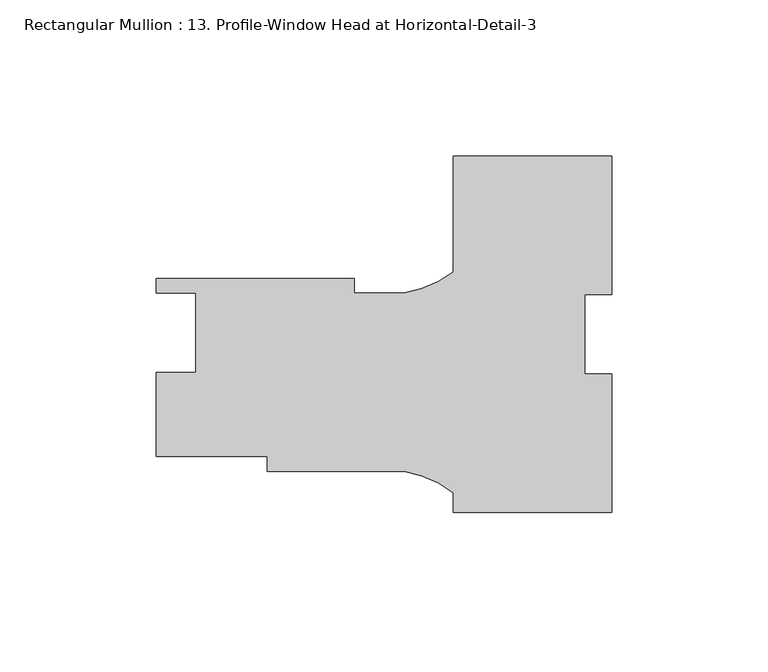
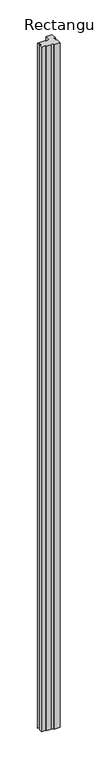
"""IFC4 building model written with IfcOpenShell, lengths in millimetres: member geometry, Rectangular Mullion : 13. Profile-Window Head at Horizontal-Detail-3."""

from ifc_helpers import new_model, si_unit, point, frame, frame_2d, origin, place, context, project, spatial, polyline, circle_curve, trimmed, segment, composite_curve, outline, extrude, source, transform, mapped, element, save


def rectangular_mullion_13_profile_window_head_at_horizontal_6d696f83(model_context):
    return source(origin(), model_context, "Body", "SweptSolid", [
        extrude(outline(composite_curve([segment(polyline([(25.4, 13.3945312), (16.66875, 13.3945312), (16.66875, -12.0054688), (25.4, -12.0054688), (25.4, -56.4554688), (-25.4, -56.4554688), (-25.4, -50.1606743)]), True, "CONTINUOUS"), segment(trimmed(circle_curve(frame_2d((-47.5843006, -79.7047114)), 36.945816), [point((-25.4, -50.1606743))], [point((-41.2172861, -43.3116565))], True, "CARTESIAN"), True, "CONTINUOUS"), segment(polyline([(-41.2172861, -43.3116565), (-85.0500517, -43.3116565), (-85.0500517, -38.5491565), (-120.65, -38.5491565), (-120.65, -11.4981565), (-107.95, -11.4981565), (-107.95, 13.9018435), (-120.65, 13.9018435), (-120.65, 18.6008435), (-57.15, 18.6008435), (-57.15, 13.8383435), (-41.2187366, 13.8383435)]), True, "CONTINUOUS"), segment(trimmed(circle_curve(frame_2d((-47.5843006, 50.2316522)), 36.945816), [point((-41.2187366, 13.8383435))], [point((-25.4, 20.6876151))], True, "CARTESIAN"), True, "CONTINUOUS"), segment(polyline([(-25.4, 20.6876151), (-25.4, 57.8445312), (25.4, 57.8445312), (25.4, 13.3945312)]), True, "CONTINUOUS")], self_intersect=False)), frame((0.0, 0.0, -6032.5), z_axis=(0.0, 0.0, 1.0), x_axis=(1.0, 0.0, 0.0)), (0.0, 0.0, 1.0), 6032.5),
    ])


if __name__ == "__main__":
    model = new_model("IFC4")
    model_context = context("Model", 3, world=origin())
    ifc_project = project(units=[si_unit("LENGTHUNIT", "METRE", prefix="MILLI")], contexts=[model_context])
    site = spatial("IfcSite", under=ifc_project)
    building = spatial("IfcBuilding", under=site)
    placement = place(None, origin())
    rectangular_mullion_13_profile_window_head_at_horizontal_shape = rectangular_mullion_13_profile_window_head_at_horizontal_6d696f83(model_context)
    element("IfcMember", 1, ObjectType="Rectangular Mullion : 13. Profile-Window Head at Horizontal-Detail-3", at=placement, inside=building, context=model_context, shape_type="MappedRepresentation", body=[
        mapped(rectangular_mullion_13_profile_window_head_at_horizontal_shape, transform((0.0, 0.0, 0.0), x_axis=(1.0, 0.0, 0.0), y_axis=(0.0, 1.0, 0.0), z_axis=(0.0, 0.0, 1.0))),
    ])
    save(model, "model.ifc")
